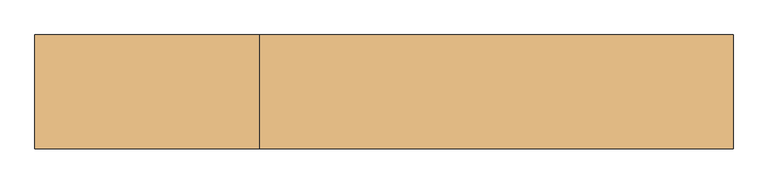
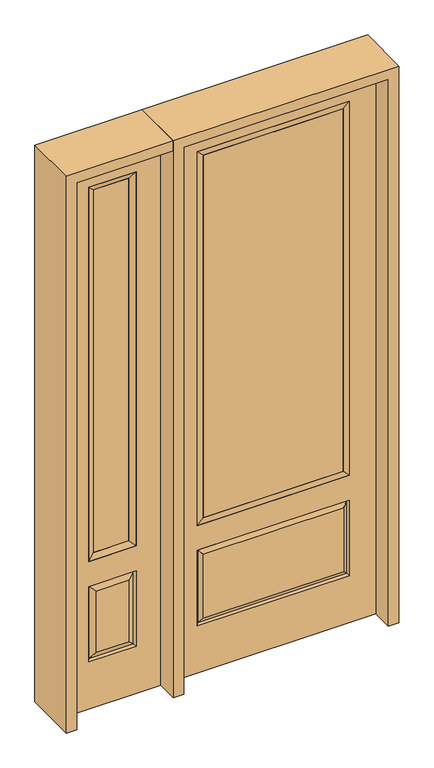
"""IFC4 building model written with IfcOpenShell, lengths in millimetres: door geometry."""

from ifc_helpers import new_model, si_unit, frame, origin, place, context, project, spatial, polyline, outline, extrude, faceted_brep, source, transform, mapped, element, save


def door_f4a7a561(model_context):
    return source(origin(), model_context, "Body", "SolidModel", [
        faceted_brep([(-882.65, -22.225, 0.0), (-476.25, -22.225, 0.0), (-476.25, -22.225, 2438.4), (-882.65, -22.225, 2438.4), (-579.12, -22.225, 2325.624), (-579.12, -22.225, 657.098), (-779.78, -22.225, 657.098), (-779.78, -22.225, 2325.624), (-579.12, -22.225, 209.55), (-779.78, -22.225, 209.55), (-779.78, -22.225, 546.1), (-579.12, -22.225, 546.1), (-748.0648999, -22.225, 241.2651001), (-610.8351001, -22.225, 241.2651001), (-610.8351001, -22.225, 514.3848999), (-748.0648999, -22.225, 514.3848999), (-882.65, 22.225, 0.0), (-882.65, 22.225, 2438.4), (-476.25, 22.225, 2438.4), (-476.25, 22.225, 0.0), (-579.12, 22.225, 2325.624), (-779.78, 22.225, 2325.624), (-779.78, 22.225, 657.098), (-579.12, 22.225, 657.098), (-779.78, 22.225, 209.55), (-579.12, 22.225, 209.55), (-579.12, 22.225, 546.1), (-779.78, 22.225, 546.1), (-610.8351001, 22.225, 241.2651001), (-748.0648999, 22.225, 241.2651001), (-748.0648999, 22.225, 514.3848999), (-610.8351001, 22.225, 514.3848999), (-586.2288501, 12.7912373, 216.6588501), (-772.6711499, 12.7912373, 216.6588501), (-772.6711499, 12.7912373, 538.9911499), (-586.2288501, 12.7912373, 538.9911499), (-772.6711499, -12.7912373, 216.6588501), (-586.2288501, -12.7912373, 216.6588501), (-772.6711499, -12.7912373, 538.9911499), (-586.2288501, -12.7912373, 538.9911499)], [[[0, 1, 2, 3], [4, 5, 6, 7], [8, 9, 10, 11]], [[12, 13, 14, 15]], [[16, 17, 18, 19], [20, 21, 22, 23], [24, 25, 26, 27]], [[28, 29, 30, 31]], [[1, 0, 16, 19]], [[2, 1, 19, 18]], [[3, 2, 18, 17]], [[0, 3, 17, 16]], [[5, 4, 20, 23]], [[6, 5, 23, 22]], [[7, 6, 22, 21]], [[4, 7, 21, 20]], [[32, 33, 29, 28]], [[33, 32, 25, 24]], [[29, 33, 34, 30]], [[33, 24, 27, 34]], [[30, 34, 35, 31]], [[34, 27, 26, 35]], [[32, 28, 31, 35]], [[25, 32, 35, 26]], [[12, 36, 37, 13]], [[37, 36, 9, 8]], [[36, 12, 15, 38]], [[9, 36, 38, 10]], [[38, 15, 14, 39]], [[10, 38, 39, 11]], [[13, 37, 39, 14]], [[37, 8, 11, 39]]]),
        faceted_brep([(-779.78, 22.225, 2325.624), (-779.78, -22.225, 2325.624), (-579.12, -22.225, 2325.624), (-579.12, 22.225, 2325.624), (-754.38, 12.7, 2300.224), (-604.52, 12.7, 2300.224), (-754.38, -12.7, 2300.224), (-604.52, -12.7, 2300.224), (-579.12, -22.225, 657.098), (-579.12, 22.225, 657.098), (-604.52, 12.7, 682.498), (-604.52, -12.7, 682.498), (-779.78, -22.225, 657.098), (-779.78, 22.225, 657.098), (-754.38, 12.7, 682.498), (-754.38, -12.7, 682.498)], [[[0, 1, 2, 3]], [[4, 0, 3, 5]], [[6, 4, 5, 7]], [[1, 6, 7, 2]], [[3, 2, 8, 9]], [[5, 3, 9, 10]], [[7, 5, 10, 11]], [[2, 7, 11, 8]], [[9, 8, 12, 13]], [[10, 9, 13, 14]], [[11, 10, 14, 15]], [[8, 11, 15, 12]], [[13, 12, 1, 0]], [[14, 13, 0, 4]], [[15, 14, 4, 6]], [[12, 15, 6, 1]]]),
        extrude(outline(polyline([(-604.52, -12.7), (-754.38, -12.7), (-754.38, 12.7), (-604.52, 12.7), (-604.52, -12.7)])), frame((0.0, 0.0, 682.498), z_axis=(0.0, 0.0, 1.0), x_axis=(1.0, 0.0, 0.0)), (0.0, 0.0, 1.0), 1617.726),
        extrude(outline(polyline([(295.275, -20.32), (-295.275, -20.32), (-295.275, 5.08), (295.275, 5.08), (295.275, -20.32)])), frame((0.0, 0.0, 682.498), z_axis=(0.0, 0.0, 1.0), x_axis=(1.0, 0.0, 0.0)), (0.0, 0.0, 1.0), 1616.202),
        faceted_brep([(-313.5661499, -12.7912373, 216.6588501), (313.5661499, -12.7912373, 216.6588501), (296.06875, -22.225, 234.15625), (-296.06875, -22.225, 234.15625), (-320.675, -22.225, 209.55), (320.675, -22.225, 209.55), (-313.5661499, -12.7912373, 538.9911499), (-320.675, -22.225, 546.1), (296.06875, -22.225, 521.49375), (-296.06875, -22.225, 521.49375), (431.8, -22.225, 2438.4), (-431.8, -22.225, 2438.4), (-431.8, -22.225, 0.0), (431.8, -22.225, 0.0), (320.675, -22.225, 546.1), (320.675, -22.225, 2324.1), (320.675, -22.225, 657.098), (-320.675, -22.225, 657.098), (-320.675, -22.225, 2324.1), (313.5661499, -12.7912373, 538.9911499), (-431.8, 22.225, 2438.4), (-431.8, 22.225, 0.0), (431.8, 22.225, 0.0), (431.8, 22.225, 2438.4), (320.675, 22.225, 2324.1), (320.675, 22.225, 657.098), (-320.675, 22.225, 657.098), (-320.675, 22.225, 2324.1), (-320.675, 22.225, 209.55), (320.675, 22.225, 209.55), (320.675, 22.225, 546.1), (-320.675, 22.225, 546.1), (296.06875, 22.225, 234.15625), (-296.06875, 22.225, 234.15625), (-296.06875, 22.225, 521.49375), (296.06875, 22.225, 521.49375), (-313.5661499, 12.7912373, 216.6588501), (313.5661499, 12.7912373, 216.6588501), (313.5661499, 12.7912373, 538.9911499), (-313.5661499, 12.7912373, 538.9911499)], [[[0, 1, 2, 3]], [[1, 0, 4, 5]], [[4, 0, 6, 7]], [[3, 2, 8, 9]], [[10, 11, 12, 13], [5, 4, 7, 14], [15, 16, 17, 18]], [[1, 5, 14, 19]], [[2, 1, 19, 8]], [[0, 3, 9, 6]], [[7, 6, 19, 14]], [[6, 9, 8, 19]], [[12, 11, 20, 21]], [[13, 12, 21, 22]], [[10, 13, 22, 23]], [[16, 15, 24, 25]], [[17, 16, 25, 26]], [[18, 17, 26, 27]], [[23, 22, 21, 20], [28, 29, 30, 31], [24, 27, 26, 25]], [[32, 33, 34, 35]], [[28, 36, 37, 29]], [[29, 37, 38, 30]], [[39, 31, 30, 38]], [[36, 28, 31, 39]], [[37, 36, 33, 32]], [[33, 36, 39, 34]], [[34, 39, 38, 35]], [[37, 32, 35, 38]], [[11, 10, 23, 20]], [[15, 18, 27, 24]]]),
        faceted_brep([(-320.675, -22.225, 2324.1), (-320.675, 22.225, 2324.1), (-320.675, 22.225, 657.098), (-320.675, -22.225, 657.098), (320.675, 22.225, 657.098), (320.675, -22.225, 657.098), (-295.275, 5.08, 682.498), (295.275, 5.08, 682.498), (320.675, 22.225, 2324.1), (320.675, -22.225, 2324.1), (-295.275, -20.32, 682.498), (295.275, -20.32, 682.498), (-295.275, -20.32, 2298.7), (295.275, -20.32, 2298.7), (-295.275, 5.08, 2298.7), (295.275, 5.08, 2298.7)], [[[0, 1, 2, 3]], [[3, 2, 4, 5]], [[2, 6, 7, 4]], [[5, 4, 8, 9]], [[10, 3, 5, 11]], [[12, 0, 3, 10]], [[11, 5, 9, 13]], [[6, 10, 11, 7]], [[14, 12, 10, 6]], [[7, 11, 13, 15]], [[1, 14, 6, 2]], [[4, 7, 15, 8]], [[9, 8, 1, 0]], [[13, 9, 0, 12]], [[15, 13, 12, 14]], [[8, 15, 14, 1]]]),
        extrude(outline(polyline([(2438.4, -476.25), (2482.85, -476.25), (2482.85, -927.1), (0.0, -927.1), (0.0, -882.65), (2438.4, -882.65), (2438.4, -476.25)])), frame((0.0, -114.3, 0.0), z_axis=(0.0, 1.0, 0.0), x_axis=(0.0, 0.0, 1.0)), (0.0, 0.0, 1.0), 228.6),
        extrude(outline(polyline([(2482.85, -476.25), (0.0, -476.25), (0.0, -431.8), (2438.4, -431.8), (2438.4, 431.8), (0.0, 431.8), (0.0, 476.25), (2482.85, 476.25), (2482.85, -476.25)])), frame((0.0, -114.3, 0.0), z_axis=(0.0, 1.0, 0.0), x_axis=(0.0, 0.0, 1.0)), (0.0, 0.0, 1.0), 228.6),
    ])


if __name__ == "__main__":
    model = new_model("IFC4")
    model_context = context("Model", 3, world=origin())
    ifc_project = project(units=[si_unit("LENGTHUNIT", "METRE", prefix="MILLI")], contexts=[model_context])
    site = spatial("IfcSite", under=ifc_project)
    building = spatial("IfcBuilding", under=site)
    placement = place(None, origin())
    door_shape = door_f4a7a561(model_context)
    element("IfcDoor", 1, at=placement, inside=building, context=model_context, shape_type="MappedRepresentation", body=[
        mapped(door_shape, transform((0.0, 0.0, 0.0), x_axis=(1.0, 0.0, 0.0), y_axis=(0.0, 1.0, 0.0), z_axis=(0.0, 0.0, 1.0))),
    ])
    save(model, "model.ifc")
